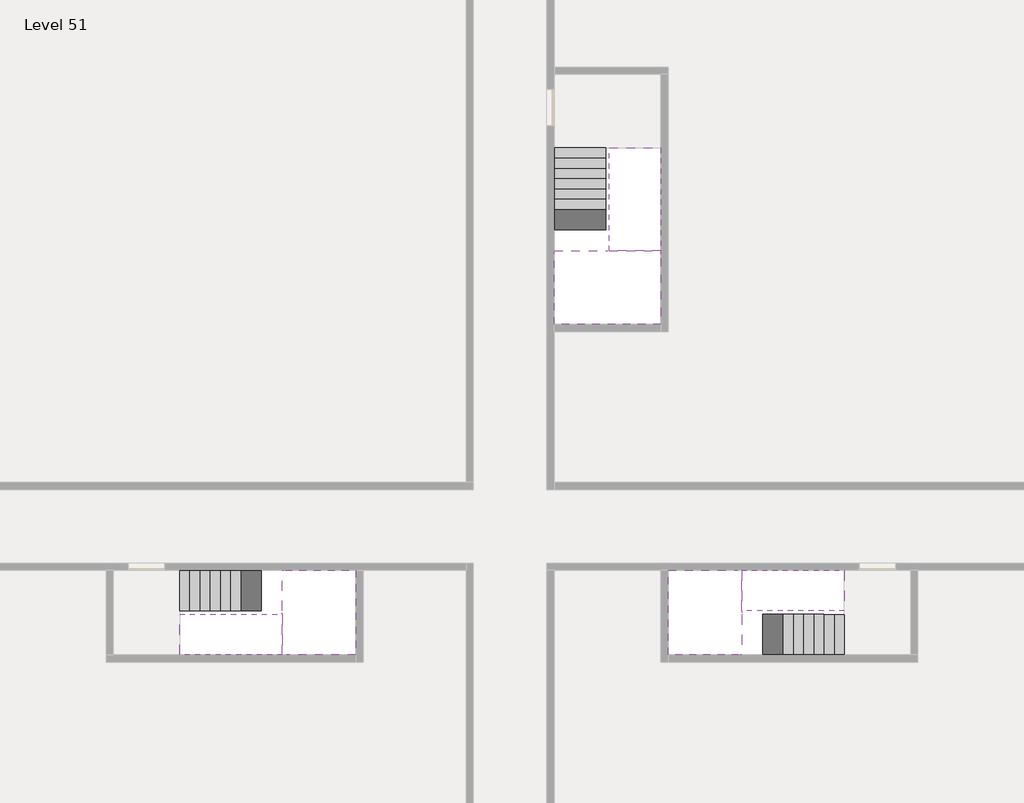
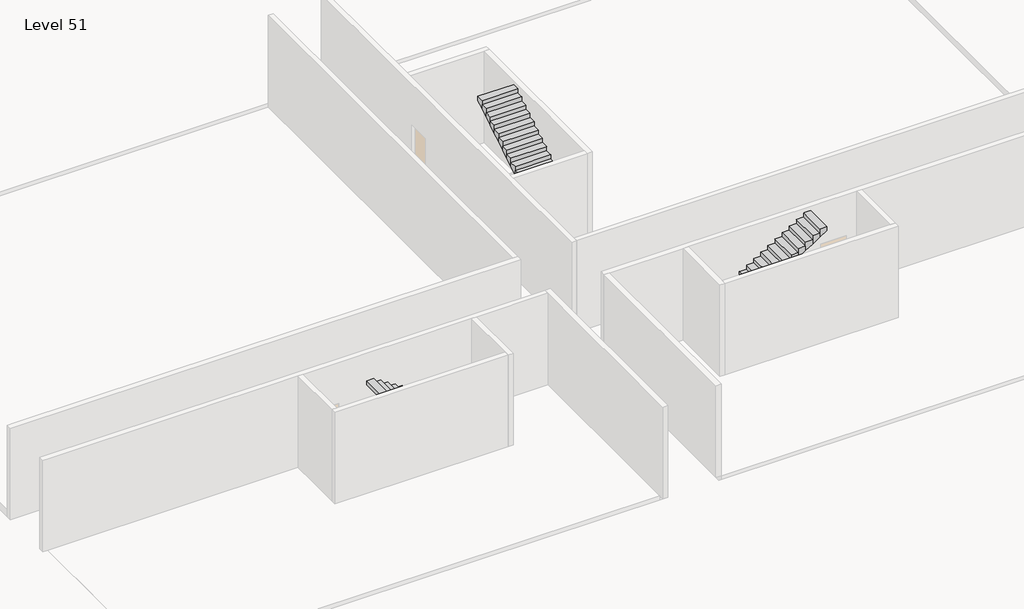
# One storey, part 2 of 2: 6 stair flights, 3 slabs.
"""IFC4 building model written with IfcOpenShell, lengths in millimetres."""

import ifcopenshell
import ifcopenshell.guid

model = None  # the IFC model being written
_history = None  # IfcOwnerHistory: only IFC2X3 demands one
_inside = {}  # id of a spatial element -> (the spatial element, [elements in it])
_under = {}  # id of a project, library or spatial element -> (it, [spatial elements below it])
_declared = {}  # id of a project -> (the project, [libraries it declares])
_typed = {}  # id of a type object -> (the type object, [elements of that type])
_made_of = {}  # id of a material, layer set ... -> (it, [elements and type objects made of it])


def new_model(schema):
    """Start an empty IFC model of exactly this schema.

    Asked for "IFC4X3", IfcOpenShell would pick the latest addendum, in which some entities
    have other attributes; the version numbers below select the first issue.
    IFC2X3 requires an IfcOwnerHistory on every rooted entity: one is made here for all.
    """
    global model, _history
    if schema == "IFC4X3":
        model = ifcopenshell.file(schema_version=(4, 3, 0, 0))
    else:
        model = ifcopenshell.file(schema=schema)
    _inside.clear()
    _under.clear()
    _declared.clear()
    _typed.clear()
    _made_of.clear()
    _history = None
    if model.schema == "IFC2X3":
        org = make("IfcOrganization", Name="unknown")
        user = make(
            "IfcPersonAndOrganization",
            ThePerson=make("IfcPerson", FamilyName="unknown"),
            TheOrganization=org,
        )
        app = make(
            "IfcApplication",
            ApplicationDeveloper=org,
            Version="unknown",
            ApplicationFullName="unknown",
            ApplicationIdentifier="unknown",
        )
        _history = make(
            "IfcOwnerHistory",
            OwningUser=user,
            OwningApplication=app,
            ChangeAction="ADDED",
            CreationDate=0,
        )
    return model


def make(cls, **values):
    """One entity of the class cls with the attributes given. An attribute that is None is left unset."""
    return model.create_entity(
        cls, **{name: value for name, value in values.items() if value is not None}
    )


def rooted(cls, **values):
    """An entity with a GlobalId (a new one), such as an element, a storey or a relation."""
    return make(cls, GlobalId=ifcopenshell.guid.new(), OwnerHistory=_history, **values)


def si_unit(unit_type, name, prefix=None):
    """IfcSIUnit, for example si_unit("LENGTHUNIT", "METRE", prefix="MILLI")."""
    return make("IfcSIUnit", UnitType=unit_type, Prefix=prefix, Name=name)


def assignment(units):
    """IfcUnitAssignment: the units of a project."""
    return None if units is None else make("IfcUnitAssignment", Units=units)


def point(xyz):
    """IfcCartesianPoint."""
    return None if xyz is None else make("IfcCartesianPoint", Coordinates=xyz)


def direction(xyz):
    """IfcDirection."""
    return None if xyz is None else make("IfcDirection", DirectionRatios=xyz)


def frame(location, z_axis=None, x_axis=None):
    """IfcAxis2Placement3D, a coordinate frame: its origin and axes. An axis left out is left unset."""
    return make(
        "IfcAxis2Placement3D",
        Location=point(location),
        Axis=direction(z_axis),
        RefDirection=direction(x_axis),
    )


def origin():
    """The frame at (0, 0, 0) with its axes left unset."""
    return frame((0.0, 0.0, 0.0))


def place(relative_to, where):
    """IfcLocalPlacement: puts the frame where relative to a parent placement (None: the world)."""
    return make(
        "IfcLocalPlacement", PlacementRelTo=relative_to, RelativePlacement=where
    )


def context(
    kind, dimensions, precision=None, world=None, true_north=None, identifier=None
):
    """IfcGeometricRepresentationContext, for example the 3D "Model" context."""
    return make(
        "IfcGeometricRepresentationContext",
        ContextIdentifier=identifier,
        ContextType=kind,
        CoordinateSpaceDimension=dimensions,
        Precision=precision,
        WorldCoordinateSystem=world,
        TrueNorth=true_north,
    )


def project(units=None, contexts=None):
    """IfcProject with its units and contexts."""
    return rooted(
        "IfcProject",
        Name="project",
        RepresentationContexts=contexts,
        UnitsInContext=assignment(units),
    )


def spatial(cls, under=None, at=None, **own):
    """A site, building, storey or space (cls), placed at a placement, below another one or the project."""
    s = rooted(cls, ObjectPlacement=at, **own)
    if under is not None:
        _under.setdefault(under.id(), (under, []))[1].append(s)
    return s


def faces_of(points, faces, orient=None, outer=None):
    """IfcFace entities. A face is a list of loops; a loop is a list of indices into points, from 0.

    orient and outer hold one flag for each loop. By default every Orientation is true, the
    first loop of a face is its IfcFaceOuterBound and the others are IfcFaceBound.
    """
    made = []
    for i, loops in enumerate(faces):
        bounds = []
        for j, loop in enumerate(loops):
            is_outer = j == 0 if outer is None else outer[i][j]
            bounds.append(
                make(
                    "IfcFaceOuterBound" if is_outer else "IfcFaceBound",
                    Bound=make("IfcPolyLoop", Polygon=[points[k] for k in loop]),
                    Orientation=True if orient is None else orient[i][j],
                )
            )
        made.append(make("IfcFace", Bounds=bounds))
    return made


def faceted_brep(points, faces, orient=None, outer=None, voids=None):
    """IfcFacetedBrep: a solid bounded by flat faces; with voids (closed shells), ...WithVoids."""
    shared = [point(p) for p in points]
    hull = make("IfcClosedShell", CfsFaces=faces_of(shared, faces, orient, outer))
    if voids is None:
        return make("IfcFacetedBrep", Outer=hull)
    return make(
        "IfcFacetedBrepWithVoids",
        Outer=hull,
        Voids=[
            make(cls, CfsFaces=faces_of(shared, fs, o, b)) for cls, fs, o, b in voids
        ],
    )


def shape(context_of_items, identifier, shape_type, items):
    """IfcShapeRepresentation: the items that make up one representation, for example the "Body"."""
    return make(
        "IfcShapeRepresentation",
        ContextOfItems=context_of_items,
        RepresentationIdentifier=identifier,
        RepresentationType=shape_type,
        Items=items,
    )


def made_of(thing, what):
    """Note that an element or type object is made of a material, layer set ...; save() writes the relation."""
    if what is not None:
        _made_of.setdefault(what.id(), (what, []))[1].append(thing)
    return thing


def element(
    cls,
    number,
    at=None,
    inside=None,
    cuts=None,
    type_object=None,
    material=None,
    context=None,
    identifier="Body",
    shape_type=None,
    held_by="IfcProductDefinitionShape",
    body=None,
    shapes=None,
    **own,
):
    """One element of the class cls, such as IfcWall. Its Tag is "e" and its number.

    at: its placement. inside: the storey or other place that contains it. cuts: it is an
    opening in that element (IfcRelVoidsElement). A single representation is given by context,
    identifier, shape_type and body (its items); several are given by shapes. held_by: the class
    of the entity that holds the representations. save() writes the other relations.
    """
    e = rooted(cls, Tag="e%d" % number, ObjectPlacement=at, **own)
    if body is not None:
        shapes = [shape(context, identifier, shape_type, body)]
    if shapes is not None:
        e.Representation = make(held_by, Representations=shapes)
    if inside is not None:
        _inside.setdefault(inside.id(), (inside, []))[1].append(e)
    if cuts is not None:
        rooted(
            "IfcRelVoidsElement", RelatingBuildingElement=cuts, RelatedOpeningElement=e
        )
    if type_object is not None:
        _typed.setdefault(type_object.id(), (type_object, []))[1].append(e)
    return made_of(e, material)


def aggregate(whole, parts):
    """IfcRelAggregates: a whole, such as a stair, and the parts it consists of."""
    return rooted("IfcRelAggregates", RelatingObject=whole, RelatedObjects=parts)


def save(model, path):
    """Write the relations noted so far, then the file.

    IfcRelAggregates (storeys below a building ...), IfcRelContainedInSpatialStructure (elements
    in a storey), IfcRelDefinesByType, IfcRelAssociatesMaterial and IfcRelDeclares: one each for
    every whole, place, type object, material and project.
    """
    for whole, parts in _under.values():
        aggregate(whole, parts)
    for where, things in _inside.values():
        rooted(
            "IfcRelContainedInSpatialStructure",
            RelatedElements=things,
            RelatingStructure=where,
        )
    for kind, things in _typed.values():
        rooted("IfcRelDefinesByType", RelatedObjects=things, RelatingType=kind)
    for what, things in _made_of.values():
        rooted("IfcRelAssociatesMaterial", RelatedObjects=things, RelatingMaterial=what)
    for by, libraries in _declared.values():
        rooted("IfcRelDeclares", RelatingContext=by, RelatedDefinitions=libraries)
    model.write(path)


model = new_model("IFC4")

# Units and contexts
model_context = context("Model", 3, world=origin())
ifc_project = project(units=[si_unit("LENGTHUNIT", "METRE", prefix="MILLI")], contexts=[model_context])

# Site, building, storey
site = spatial("IfcSite", under=ifc_project)
building = spatial("IfcBuilding", under=site)
storey = spatial("IfcBuildingStorey", under=building, Name="Level 51", Elevation=190000.0)

# Slabs
placement = place(None, origin())
element("IfcSlab", 1, at=placement, inside=storey, context=model_context, shape_type="Brep", body=[
    faceted_brep([(26790.1058784, -34218.09644, 191900.0), (25390.1058784, -34218.09644, 191900.0), (25390.1058784, -34297.4828763, 191900.0), (25390.1058784, -36218.09644, 191900.0), (28290.1058784, -36218.09644, 191900.0), (28290.1058784, -34418.7100038, 191900.0), (28290.1058784, -34218.09644, 191900.0), (26890.1058784, -34218.09644, 191900.0), (26790.1058784, -34218.09644, 191600.0), (26790.1058784, -34218.09644, 191551.0278478), (25390.1058784, -34218.09644, 191551.0278478), (25390.1058784, -34218.09644, 191727.2727273), (25390.1058784, -34297.4828763, 191600.0), (25390.1058784, -36218.09644, 191600.0), (28290.1058784, -36218.09644, 191600.0), (28290.1058784, -34418.7100038, 191600.0), (28290.1058784, -34218.09644, 191723.7551205), (26890.1058784, -34218.09644, 191723.7551205), (26890.1058784, -34218.09644, 191600.0), (26890.1058784, -34418.7100038, 191600.0), (26790.1058784, -34297.4828763, 191600.0)], [[[0, 1, 2, 3, 4, 5, 6, 7]], [[1, 0, 8, 9, 10, 11]], [[1, 11, 10, 12, 13, 3, 2]], [[4, 3, 13, 14]], [[4, 14, 15, 16, 6, 5]], [[7, 6, 16, 17]], [[0, 7, 17, 18, 8]], [[18, 19, 15, 14, 13, 12, 20, 8]], [[19, 18, 17]], [[20, 12, 10, 9]], [[8, 20, 9]], [[15, 19, 17, 16]]]),
])
element("IfcSlab", 2, at=placement, inside=storey, context=model_context, shape_type="Brep", body=[
    faceted_brep([(30490.1058784, -45218.09644, 191900.0), (30490.1058784, -44118.09644, 191900.0), (30490.1058784, -44018.09644, 191900.0), (30490.1058784, -42918.09644, 191900.0), (30289.4923146, -42918.09644, 191900.0), (28490.1058784, -42918.09644, 191900.0), (28490.1058784, -45218.09644, 191900.0), (30410.7194421, -45218.09644, 191900.0), (30490.1058784, -45218.09644, 191727.2727273), (30490.1058784, -45218.09644, 191551.0278478), (30490.1058784, -44118.09644, 191551.0278478), (30490.1058784, -44118.09644, 191600.0), (30490.1058784, -44018.09644, 191600.0), (30490.1058784, -44018.09644, 191723.7551205), (30490.1058784, -42918.09644, 191723.7551205), (30289.4923146, -42918.09644, 191600.0), (28490.1058784, -42918.09644, 191600.0), (28490.1058784, -45218.09644, 191600.0), (30410.7194421, -45218.09644, 191600.0), (30289.4923146, -44018.09644, 191600.0), (30410.7194421, -44118.09644, 191600.0)], [[[0, 1, 2, 3, 4, 5, 6, 7]], [[1, 0, 8, 9, 10, 11]], [[2, 1, 11, 12, 13]], [[3, 2, 13, 14]], [[3, 14, 15, 16, 5, 4]], [[6, 5, 16, 17]], [[9, 8, 0, 7, 6, 17, 18]], [[19, 12, 11, 20, 18, 17, 16, 15]], [[12, 19, 13]], [[18, 20, 10, 9]], [[20, 11, 10]], [[19, 15, 14, 13]]]),
])
element("IfcSlab", 3, at=placement, inside=storey, context=model_context, shape_type="Brep", body=[
    faceted_brep([(17990.1058784, -42918.09644, 191900.0), (17990.1058784, -44018.09644, 191900.0), (17990.1058784, -44118.09644, 191900.0), (17990.1058784, -45218.09644, 191900.0), (18190.7194421, -45218.09644, 191900.0), (19990.1058784, -45218.09644, 191900.0), (19990.1058784, -42918.09644, 191900.0), (18069.4923146, -42918.09644, 191900.0), (17990.1058784, -42918.09644, 191727.2727273), (17990.1058784, -42918.09644, 191551.0278478), (17990.1058784, -44018.09644, 191551.0278478), (17990.1058784, -44018.09644, 191600.0), (17990.1058784, -44118.09644, 191600.0), (17990.1058784, -44118.09644, 191723.7551205), (17990.1058784, -45218.09644, 191723.7551205), (18190.7194421, -45218.09644, 191600.0), (19990.1058784, -45218.09644, 191600.0), (19990.1058784, -42918.09644, 191600.0), (18069.4923146, -42918.09644, 191600.0), (18190.7194421, -44118.09644, 191600.0), (18069.4923146, -44018.09644, 191600.0)], [[[0, 1, 2, 3, 4, 5, 6, 7]], [[1, 0, 8, 9, 10, 11]], [[2, 1, 11, 12, 13]], [[3, 2, 13, 14]], [[3, 14, 15, 16, 5, 4]], [[6, 5, 16, 17]], [[9, 8, 0, 7, 6, 17, 18]], [[19, 12, 11, 20, 18, 17, 16, 15]], [[12, 19, 13]], [[18, 20, 10, 9]], [[20, 11, 10]], [[19, 15, 14, 13]]]),
])

# Stair flights
element("IfcStairFlight", 4, at=placement, inside=storey, context=model_context, shape_type="Brep", body=[
    faceted_brep([(26790.1058784, -31698.09644, 190172.7272727), (26790.1058784, -31418.09644, 190172.7272727), (25390.1058784, -31418.09644, 190172.7272727), (25390.1058784, -31698.09644, 190172.7272727), (26790.1058784, -31698.09644, 190000.0), (26790.1058784, -31418.09644, 190000.0), (25390.1058784, -31418.09644, 190000.0), (25390.1058784, -31698.09644, 190000.0), (26790.1058784, -31978.09644, 190345.4545455), (26790.1058784, -31698.09644, 190345.4545455), (25390.1058784, -31698.09644, 190345.4545455), (25390.1058784, -31978.09644, 190345.4545455), (26790.1058784, -31978.09644, 190169.209666), (26790.1058784, -31703.7986657, 190000.0), (25390.1058784, -31703.7986657, 190000.0), (25390.1058784, -31978.09644, 190169.209666), (26790.1058784, -32258.09644, 190518.1818182), (26790.1058784, -31978.09644, 190518.1818182), (25390.1058784, -31978.09644, 190518.1818182), (25390.1058784, -32258.09644, 190518.1818182), (26790.1058784, -32258.09644, 190341.9369387), (25390.1058784, -32258.09644, 190341.9369387), (26790.1058784, -32538.09644, 190690.9090909), (26790.1058784, -32258.09644, 190690.9090909), (25390.1058784, -32258.09644, 190690.9090909), (25390.1058784, -32538.09644, 190690.9090909), (26790.1058784, -32538.09644, 190514.6642114), (25390.1058784, -32538.09644, 190514.6642114), (26790.1058784, -32818.09644, 190863.6363636), (26790.1058784, -32538.09644, 190863.6363636), (25390.1058784, -32538.09644, 190863.6363636), (25390.1058784, -32818.09644, 190863.6363636), (26790.1058784, -32818.09644, 190687.3914841), (25390.1058784, -32818.09644, 190687.3914841), (26790.1058784, -33098.09644, 191036.3636364), (26790.1058784, -32818.09644, 191036.3636364), (25390.1058784, -32818.09644, 191036.3636364), (25390.1058784, -33098.09644, 191036.3636364), (26790.1058784, -33098.09644, 190860.1187569), (25390.1058784, -33098.09644, 190860.1187569), (26790.1058784, -33378.09644, 191209.0909091), (26790.1058784, -33098.09644, 191209.0909091), (25390.1058784, -33098.09644, 191209.0909091), (25390.1058784, -33378.09644, 191209.0909091), (26790.1058784, -33378.09644, 191032.8460296), (25390.1058784, -33378.09644, 191032.8460296), (26790.1058784, -33658.09644, 191381.8181818), (26790.1058784, -33378.09644, 191381.8181818), (25390.1058784, -33378.09644, 191381.8181818), (25390.1058784, -33658.09644, 191381.8181818), (26790.1058784, -33658.09644, 191205.5733023), (25390.1058784, -33658.09644, 191205.5733023), (26790.1058784, -33938.09644, 191554.5454545), (26790.1058784, -33658.09644, 191554.5454545), (25390.1058784, -33658.09644, 191554.5454545), (25390.1058784, -33938.09644, 191554.5454545), (26790.1058784, -33938.09644, 191378.3005751), (25390.1058784, -33938.09644, 191378.3005751), (26790.1058784, -34218.09644, 191727.2727273), (26790.1058784, -33938.09644, 191727.2727273), (25390.1058784, -33938.09644, 191727.2727273), (25390.1058784, -34218.09644, 191727.2727273), (26790.1058784, -34218.09644, 191600.0), (26790.1058784, -34218.09644, 191551.0278478), (25390.1058784, -34218.09644, 191551.0278478)], [[[0, 1, 2, 3]], [[1, 0, 4, 5]], [[2, 1, 5, 6]], [[3, 2, 6, 7]], [[8, 9, 10, 11]], [[4, 0, 9, 8, 12, 13]], [[0, 3, 10, 9]], [[3, 7, 14, 15, 11, 10]], [[16, 17, 18, 19]], [[17, 16, 20, 12, 8]], [[8, 11, 18, 17]], [[19, 18, 11, 15, 21]], [[22, 23, 24, 25]], [[23, 22, 26, 20, 16]], [[16, 19, 24, 23]], [[25, 24, 19, 21, 27]], [[28, 29, 30, 31]], [[29, 28, 32, 26, 22]], [[22, 25, 30, 29]], [[31, 30, 25, 27, 33]], [[34, 35, 36, 37]], [[35, 34, 38, 32, 28]], [[28, 31, 36, 35]], [[37, 36, 31, 33, 39]], [[40, 41, 42, 43]], [[41, 40, 44, 38, 34]], [[34, 37, 42, 41]], [[43, 42, 37, 39, 45]], [[46, 47, 48, 49]], [[47, 46, 50, 44, 40]], [[40, 43, 48, 47]], [[49, 48, 43, 45, 51]], [[52, 53, 54, 55]], [[53, 52, 56, 50, 46]], [[46, 49, 54, 53]], [[55, 54, 49, 51, 57]], [[58, 59, 60, 61]], [[59, 58, 62, 63, 56, 52]], [[52, 55, 60, 59]], [[61, 60, 55, 57, 64]], [[58, 61, 64, 63, 62]], [[5, 4, 13, 14, 7, 6]], [[14, 13, 12, 20, 26, 32, 38, 44, 50, 56, 63, 64, 57, 51, 45, 39, 33, 27, 21, 15]]]),
])
element("IfcStairFlight", 5, at=placement, inside=storey, context=model_context, shape_type="Brep", body=[
    faceted_brep([(26890.1058784, -33938.09644, 192072.7272727), (26890.1058784, -34218.09644, 192072.7272727), (28290.1058784, -34218.09644, 192072.7272727), (28290.1058784, -33938.09644, 192072.7272727), (26890.1058784, -33938.09644, 191896.4823932), (26890.1058784, -34218.09644, 191723.7551205), (28290.1058784, -34218.09644, 191723.7551205), (28290.1058784, -34218.09644, 191900.0), (28290.1058784, -33938.09644, 191896.4823932), (26890.1058784, -33658.09644, 192245.4545455), (26890.1058784, -33938.09644, 192245.4545455), (28290.1058784, -33938.09644, 192245.4545455), (28290.1058784, -33658.09644, 192245.4545455), (26890.1058784, -33658.09644, 192069.209666), (28290.1058784, -33658.09644, 192069.209666), (26890.1058784, -33378.09644, 192418.1818182), (26890.1058784, -33658.09644, 192418.1818182), (28290.1058784, -33658.09644, 192418.1818182), (28290.1058784, -33378.09644, 192418.1818182), (26890.1058784, -33378.09644, 192241.9369387), (28290.1058784, -33378.09644, 192241.9369387), (26890.1058784, -33098.09644, 192590.9090909), (26890.1058784, -33378.09644, 192590.9090909), (28290.1058784, -33378.09644, 192590.9090909), (28290.1058784, -33098.09644, 192590.9090909), (26890.1058784, -33098.09644, 192414.6642114), (28290.1058784, -33098.09644, 192414.6642114), (26890.1058784, -32818.09644, 192763.6363636), (26890.1058784, -33098.09644, 192763.6363636), (28290.1058784, -33098.09644, 192763.6363636), (28290.1058784, -32818.09644, 192763.6363636), (26890.1058784, -32818.09644, 192587.3914841), (28290.1058784, -32818.09644, 192587.3914841), (26890.1058784, -32538.09644, 192936.3636364), (26890.1058784, -32818.09644, 192936.3636364), (28290.1058784, -32818.09644, 192936.3636364), (28290.1058784, -32538.09644, 192936.3636364), (26890.1058784, -32538.09644, 192760.1187569), (28290.1058784, -32538.09644, 192760.1187569), (26890.1058784, -32258.09644, 193109.0909091), (26890.1058784, -32538.09644, 193109.0909091), (28290.1058784, -32538.09644, 193109.0909091), (28290.1058784, -32258.09644, 193109.0909091), (26890.1058784, -32258.09644, 192932.8460296), (28290.1058784, -32258.09644, 192932.8460296), (26890.1058784, -31978.09644, 193281.8181818), (26890.1058784, -32258.09644, 193281.8181818), (28290.1058784, -32258.09644, 193281.8181818), (28290.1058784, -31978.09644, 193281.8181818), (26890.1058784, -31978.09644, 193105.5733023), (28290.1058784, -31978.09644, 193105.5733023), (26890.1058784, -31698.09644, 193454.5454545), (26890.1058784, -31978.09644, 193454.5454545), (28290.1058784, -31978.09644, 193454.5454545), (28290.1058784, -31698.09644, 193454.5454545), (26890.1058784, -31698.09644, 193278.3005751), (28290.1058784, -31698.09644, 193278.3005751), (26890.1058784, -31418.09644, 193627.2727273), (26890.1058784, -31698.09644, 193627.2727273), (28290.1058784, -31698.09644, 193627.2727273), (28290.1058784, -31418.09644, 193627.2727273), (26890.1058784, -31418.09644, 193451.0278478), (28290.1058784, -31418.09644, 193451.0278478)], [[[0, 1, 2, 3]], [[1, 0, 4, 5]], [[2, 1, 5, 6, 7]], [[3, 2, 7, 6, 8]], [[9, 10, 11, 12]], [[10, 9, 13, 4, 0]], [[11, 10, 0, 3]], [[12, 11, 3, 8, 14]], [[15, 16, 17, 18]], [[16, 15, 19, 13, 9]], [[17, 16, 9, 12]], [[18, 17, 12, 14, 20]], [[21, 22, 23, 24]], [[22, 21, 25, 19, 15]], [[23, 22, 15, 18]], [[24, 23, 18, 20, 26]], [[27, 28, 29, 30]], [[28, 27, 31, 25, 21]], [[29, 28, 21, 24]], [[30, 29, 24, 26, 32]], [[33, 34, 35, 36]], [[34, 33, 37, 31, 27]], [[35, 34, 27, 30]], [[36, 35, 30, 32, 38]], [[39, 40, 41, 42]], [[40, 39, 43, 37, 33]], [[41, 40, 33, 36]], [[42, 41, 36, 38, 44]], [[45, 46, 47, 48]], [[46, 45, 49, 43, 39]], [[47, 46, 39, 42]], [[48, 47, 42, 44, 50]], [[51, 52, 53, 54]], [[52, 51, 55, 49, 45]], [[53, 52, 45, 48]], [[54, 53, 48, 50, 56]], [[57, 58, 59, 60]], [[58, 57, 61, 55, 51]], [[59, 58, 51, 54]], [[60, 59, 54, 56, 62]], [[57, 60, 62, 61]], [[5, 4, 13, 19, 25, 31, 37, 43, 49, 55, 61, 62, 56, 50, 44, 38, 32, 26, 20, 14, 8, 6]]]),
])
element("IfcStairFlight", 6, at=placement, inside=storey, context=model_context, shape_type="Brep", body=[
    faceted_brep([(33010.1058784, -45218.09644, 190172.7272727), (33290.1058784, -45218.09644, 190172.7272727), (33290.1058784, -44118.09644, 190172.7272727), (33010.1058784, -44118.09644, 190172.7272727), (33010.1058784, -45218.09644, 190000.0), (33290.1058784, -45218.09644, 190000.0), (33290.1058784, -44118.09644, 190000.0), (33010.1058784, -44118.09644, 190000.0), (32730.1058784, -45218.09644, 190345.4545455), (33010.1058784, -45218.09644, 190345.4545455), (33010.1058784, -44118.09644, 190345.4545455), (32730.1058784, -44118.09644, 190345.4545455), (32730.1058784, -45218.09644, 190169.209666), (33004.4036527, -45218.09644, 190000.0), (33004.4036527, -44118.09644, 190000.0), (32730.1058784, -44118.09644, 190169.209666), (32450.1058784, -45218.09644, 190518.1818182), (32730.1058784, -45218.09644, 190518.1818182), (32730.1058784, -44118.09644, 190518.1818182), (32450.1058784, -44118.09644, 190518.1818182), (32450.1058784, -45218.09644, 190341.9369387), (32450.1058784, -44118.09644, 190341.9369387), (32170.1058784, -45218.09644, 190690.9090909), (32450.1058784, -45218.09644, 190690.9090909), (32450.1058784, -44118.09644, 190690.9090909), (32170.1058784, -44118.09644, 190690.9090909), (32170.1058784, -45218.09644, 190514.6642114), (32170.1058784, -44118.09644, 190514.6642114), (31890.1058784, -45218.09644, 190863.6363636), (32170.1058784, -45218.09644, 190863.6363636), (32170.1058784, -44118.09644, 190863.6363636), (31890.1058784, -44118.09644, 190863.6363636), (31890.1058784, -45218.09644, 190687.3914841), (31890.1058784, -44118.09644, 190687.3914841), (31610.1058784, -45218.09644, 191036.3636364), (31890.1058784, -45218.09644, 191036.3636364), (31890.1058784, -44118.09644, 191036.3636364), (31610.1058784, -44118.09644, 191036.3636364), (31610.1058784, -45218.09644, 190860.1187569), (31610.1058784, -44118.09644, 190860.1187569), (31330.1058784, -45218.09644, 191209.0909091), (31610.1058784, -45218.09644, 191209.0909091), (31610.1058784, -44118.09644, 191209.0909091), (31330.1058784, -44118.09644, 191209.0909091), (31330.1058784, -45218.09644, 191032.8460296), (31330.1058784, -44118.09644, 191032.8460296), (31050.1058784, -45218.09644, 191381.8181818), (31330.1058784, -45218.09644, 191381.8181818), (31330.1058784, -44118.09644, 191381.8181818), (31050.1058784, -44118.09644, 191381.8181818), (31050.1058784, -45218.09644, 191205.5733023), (31050.1058784, -44118.09644, 191205.5733023), (30770.1058784, -45218.09644, 191554.5454545), (31050.1058784, -45218.09644, 191554.5454545), (31050.1058784, -44118.09644, 191554.5454545), (30770.1058784, -44118.09644, 191554.5454545), (30770.1058784, -45218.09644, 191378.3005751), (30770.1058784, -44118.09644, 191378.3005751), (30490.1058784, -45218.09644, 191727.2727273), (30770.1058784, -45218.09644, 191727.2727273), (30770.1058784, -44118.09644, 191727.2727273), (30490.1058784, -44118.09644, 191727.2727273), (30490.1058784, -45218.09644, 191551.0278478), (30490.1058784, -44118.09644, 191551.0278478), (30490.1058784, -44118.09644, 191600.0)], [[[0, 1, 2, 3]], [[1, 0, 4, 5]], [[2, 1, 5, 6]], [[3, 2, 6, 7]], [[8, 9, 10, 11]], [[4, 0, 9, 8, 12, 13]], [[0, 3, 10, 9]], [[3, 7, 14, 15, 11, 10]], [[16, 17, 18, 19]], [[17, 16, 20, 12, 8]], [[8, 11, 18, 17]], [[19, 18, 11, 15, 21]], [[22, 23, 24, 25]], [[23, 22, 26, 20, 16]], [[16, 19, 24, 23]], [[25, 24, 19, 21, 27]], [[28, 29, 30, 31]], [[29, 28, 32, 26, 22]], [[22, 25, 30, 29]], [[31, 30, 25, 27, 33]], [[34, 35, 36, 37]], [[35, 34, 38, 32, 28]], [[28, 31, 36, 35]], [[37, 36, 31, 33, 39]], [[40, 41, 42, 43]], [[41, 40, 44, 38, 34]], [[34, 37, 42, 41]], [[43, 42, 37, 39, 45]], [[46, 47, 48, 49]], [[47, 46, 50, 44, 40]], [[40, 43, 48, 47]], [[49, 48, 43, 45, 51]], [[52, 53, 54, 55]], [[53, 52, 56, 50, 46]], [[46, 49, 54, 53]], [[55, 54, 49, 51, 57]], [[58, 59, 60, 61]], [[59, 58, 62, 56, 52]], [[52, 55, 60, 59]], [[61, 60, 55, 57, 63, 64]], [[58, 61, 64, 63, 62]], [[5, 4, 13, 14, 7, 6]], [[14, 13, 12, 20, 26, 32, 38, 44, 50, 56, 62, 63, 57, 51, 45, 39, 33, 27, 21, 15]]]),
])
element("IfcStairFlight", 7, at=placement, inside=storey, context=model_context, shape_type="Brep", body=[
    faceted_brep([(30770.1058784, -42918.09644, 192072.7272727), (30490.1058784, -42918.09644, 192072.7272727), (30490.1058784, -44018.09644, 192072.7272727), (30770.1058784, -44018.09644, 192072.7272727), (30770.1058784, -42918.09644, 191896.4823932), (30490.1058784, -42918.09644, 191723.7551205), (30490.1058784, -42918.09644, 191900.0), (30490.1058784, -44018.09644, 191723.7551205), (30770.1058784, -44018.09644, 191896.4823932), (31050.1058784, -42918.09644, 192245.4545455), (30770.1058784, -42918.09644, 192245.4545455), (30770.1058784, -44018.09644, 192245.4545455), (31050.1058784, -44018.09644, 192245.4545455), (31050.1058784, -42918.09644, 192069.209666), (31050.1058784, -44018.09644, 192069.209666), (31330.1058784, -42918.09644, 192418.1818182), (31050.1058784, -42918.09644, 192418.1818182), (31050.1058784, -44018.09644, 192418.1818182), (31330.1058784, -44018.09644, 192418.1818182), (31330.1058784, -42918.09644, 192241.9369387), (31330.1058784, -44018.09644, 192241.9369387), (31610.1058784, -42918.09644, 192590.9090909), (31330.1058784, -42918.09644, 192590.9090909), (31330.1058784, -44018.09644, 192590.9090909), (31610.1058784, -44018.09644, 192590.9090909), (31610.1058784, -42918.09644, 192414.6642114), (31610.1058784, -44018.09644, 192414.6642114), (31890.1058784, -42918.09644, 192763.6363636), (31610.1058784, -42918.09644, 192763.6363636), (31610.1058784, -44018.09644, 192763.6363636), (31890.1058784, -44018.09644, 192763.6363636), (31890.1058784, -42918.09644, 192587.3914841), (31890.1058784, -44018.09644, 192587.3914841), (32170.1058784, -42918.09644, 192936.3636364), (31890.1058784, -42918.09644, 192936.3636364), (31890.1058784, -44018.09644, 192936.3636364), (32170.1058784, -44018.09644, 192936.3636364), (32170.1058784, -42918.09644, 192760.1187569), (32170.1058784, -44018.09644, 192760.1187569), (32450.1058784, -42918.09644, 193109.0909091), (32170.1058784, -42918.09644, 193109.0909091), (32170.1058784, -44018.09644, 193109.0909091), (32450.1058784, -44018.09644, 193109.0909091), (32450.1058784, -42918.09644, 192932.8460296), (32450.1058784, -44018.09644, 192932.8460296), (32730.1058784, -42918.09644, 193281.8181818), (32450.1058784, -42918.09644, 193281.8181818), (32450.1058784, -44018.09644, 193281.8181818), (32730.1058784, -44018.09644, 193281.8181818), (32730.1058784, -42918.09644, 193105.5733023), (32730.1058784, -44018.09644, 193105.5733023), (33010.1058784, -42918.09644, 193454.5454545), (32730.1058784, -42918.09644, 193454.5454545), (32730.1058784, -44018.09644, 193454.5454545), (33010.1058784, -44018.09644, 193454.5454545), (33010.1058784, -42918.09644, 193278.3005751), (33010.1058784, -44018.09644, 193278.3005751), (33290.1058784, -42918.09644, 193627.2727273), (33010.1058784, -42918.09644, 193627.2727273), (33010.1058784, -44018.09644, 193627.2727273), (33290.1058784, -44018.09644, 193627.2727273), (33290.1058784, -42918.09644, 193451.0278478), (33290.1058784, -44018.09644, 193451.0278478)], [[[0, 1, 2, 3]], [[1, 0, 4, 5, 6]], [[2, 1, 6, 5, 7]], [[3, 2, 7, 8]], [[9, 10, 11, 12]], [[10, 9, 13, 4, 0]], [[11, 10, 0, 3]], [[12, 11, 3, 8, 14]], [[15, 16, 17, 18]], [[16, 15, 19, 13, 9]], [[17, 16, 9, 12]], [[18, 17, 12, 14, 20]], [[21, 22, 23, 24]], [[22, 21, 25, 19, 15]], [[23, 22, 15, 18]], [[24, 23, 18, 20, 26]], [[27, 28, 29, 30]], [[28, 27, 31, 25, 21]], [[29, 28, 21, 24]], [[30, 29, 24, 26, 32]], [[33, 34, 35, 36]], [[34, 33, 37, 31, 27]], [[35, 34, 27, 30]], [[36, 35, 30, 32, 38]], [[39, 40, 41, 42]], [[40, 39, 43, 37, 33]], [[41, 40, 33, 36]], [[42, 41, 36, 38, 44]], [[45, 46, 47, 48]], [[46, 45, 49, 43, 39]], [[47, 46, 39, 42]], [[48, 47, 42, 44, 50]], [[51, 52, 53, 54]], [[52, 51, 55, 49, 45]], [[53, 52, 45, 48]], [[54, 53, 48, 50, 56]], [[57, 58, 59, 60]], [[58, 57, 61, 55, 51]], [[59, 58, 51, 54]], [[60, 59, 54, 56, 62]], [[57, 60, 62, 61]], [[5, 4, 13, 19, 25, 31, 37, 43, 49, 55, 61, 62, 56, 50, 44, 38, 32, 26, 20, 14, 8, 7]]]),
])
element("IfcStairFlight", 8, at=placement, inside=storey, context=model_context, shape_type="Brep", body=[
    faceted_brep([(15470.1058784, -42918.09644, 190172.7272727), (15190.1058784, -42918.09644, 190172.7272727), (15190.1058784, -44018.09644, 190172.7272727), (15470.1058784, -44018.09644, 190172.7272727), (15470.1058784, -42918.09644, 190000.0), (15190.1058784, -42918.09644, 190000.0), (15190.1058784, -44018.09644, 190000.0), (15470.1058784, -44018.09644, 190000.0), (15750.1058784, -42918.09644, 190345.4545455), (15470.1058784, -42918.09644, 190345.4545455), (15470.1058784, -44018.09644, 190345.4545455), (15750.1058784, -44018.09644, 190345.4545455), (15750.1058784, -42918.09644, 190169.209666), (15475.8081041, -42918.09644, 190000.0), (15475.8081041, -44018.09644, 190000.0), (15750.1058784, -44018.09644, 190169.209666), (16030.1058784, -42918.09644, 190518.1818182), (15750.1058784, -42918.09644, 190518.1818182), (15750.1058784, -44018.09644, 190518.1818182), (16030.1058784, -44018.09644, 190518.1818182), (16030.1058784, -42918.09644, 190341.9369387), (16030.1058784, -44018.09644, 190341.9369387), (16310.1058784, -42918.09644, 190690.9090909), (16030.1058784, -42918.09644, 190690.9090909), (16030.1058784, -44018.09644, 190690.9090909), (16310.1058784, -44018.09644, 190690.9090909), (16310.1058784, -42918.09644, 190514.6642114), (16310.1058784, -44018.09644, 190514.6642114), (16590.1058784, -42918.09644, 190863.6363636), (16310.1058784, -42918.09644, 190863.6363636), (16310.1058784, -44018.09644, 190863.6363636), (16590.1058784, -44018.09644, 190863.6363636), (16590.1058784, -42918.09644, 190687.3914841), (16590.1058784, -44018.09644, 190687.3914841), (16870.1058784, -42918.09644, 191036.3636364), (16590.1058784, -42918.09644, 191036.3636364), (16590.1058784, -44018.09644, 191036.3636364), (16870.1058784, -44018.09644, 191036.3636364), (16870.1058784, -42918.09644, 190860.1187569), (16870.1058784, -44018.09644, 190860.1187569), (17150.1058784, -42918.09644, 191209.0909091), (16870.1058784, -42918.09644, 191209.0909091), (16870.1058784, -44018.09644, 191209.0909091), (17150.1058784, -44018.09644, 191209.0909091), (17150.1058784, -42918.09644, 191032.8460296), (17150.1058784, -44018.09644, 191032.8460296), (17430.1058784, -42918.09644, 191381.8181818), (17150.1058784, -42918.09644, 191381.8181818), (17150.1058784, -44018.09644, 191381.8181818), (17430.1058784, -44018.09644, 191381.8181818), (17430.1058784, -42918.09644, 191205.5733023), (17430.1058784, -44018.09644, 191205.5733023), (17710.1058784, -42918.09644, 191554.5454545), (17430.1058784, -42918.09644, 191554.5454545), (17430.1058784, -44018.09644, 191554.5454545), (17710.1058784, -44018.09644, 191554.5454545), (17710.1058784, -42918.09644, 191378.3005751), (17710.1058784, -44018.09644, 191378.3005751), (17990.1058784, -42918.09644, 191727.2727273), (17710.1058784, -42918.09644, 191727.2727273), (17710.1058784, -44018.09644, 191727.2727273), (17990.1058784, -44018.09644, 191727.2727273), (17990.1058784, -42918.09644, 191551.0278478), (17990.1058784, -44018.09644, 191551.0278478), (17990.1058784, -44018.09644, 191600.0)], [[[0, 1, 2, 3]], [[1, 0, 4, 5]], [[2, 1, 5, 6]], [[3, 2, 6, 7]], [[8, 9, 10, 11]], [[4, 0, 9, 8, 12, 13]], [[0, 3, 10, 9]], [[3, 7, 14, 15, 11, 10]], [[16, 17, 18, 19]], [[17, 16, 20, 12, 8]], [[8, 11, 18, 17]], [[19, 18, 11, 15, 21]], [[22, 23, 24, 25]], [[23, 22, 26, 20, 16]], [[16, 19, 24, 23]], [[25, 24, 19, 21, 27]], [[28, 29, 30, 31]], [[29, 28, 32, 26, 22]], [[22, 25, 30, 29]], [[31, 30, 25, 27, 33]], [[34, 35, 36, 37]], [[35, 34, 38, 32, 28]], [[28, 31, 36, 35]], [[37, 36, 31, 33, 39]], [[40, 41, 42, 43]], [[41, 40, 44, 38, 34]], [[34, 37, 42, 41]], [[43, 42, 37, 39, 45]], [[46, 47, 48, 49]], [[47, 46, 50, 44, 40]], [[40, 43, 48, 47]], [[49, 48, 43, 45, 51]], [[52, 53, 54, 55]], [[53, 52, 56, 50, 46]], [[46, 49, 54, 53]], [[55, 54, 49, 51, 57]], [[58, 59, 60, 61]], [[59, 58, 62, 56, 52]], [[52, 55, 60, 59]], [[61, 60, 55, 57, 63, 64]], [[58, 61, 64, 63, 62]], [[5, 4, 13, 14, 7, 6]], [[14, 13, 12, 20, 26, 32, 38, 44, 50, 56, 62, 63, 57, 51, 45, 39, 33, 27, 21, 15]]]),
])
element("IfcStairFlight", 9, at=placement, inside=storey, context=model_context, shape_type="Brep", body=[
    faceted_brep([(17710.1058784, -45218.09644, 192072.7272727), (17990.1058784, -45218.09644, 192072.7272727), (17990.1058784, -44118.09644, 192072.7272727), (17710.1058784, -44118.09644, 192072.7272727), (17710.1058784, -45218.09644, 191896.4823932), (17990.1058784, -45218.09644, 191723.7551205), (17990.1058784, -45218.09644, 191900.0), (17990.1058784, -44118.09644, 191723.7551205), (17710.1058784, -44118.09644, 191896.4823932), (17430.1058784, -45218.09644, 192245.4545455), (17710.1058784, -45218.09644, 192245.4545455), (17710.1058784, -44118.09644, 192245.4545455), (17430.1058784, -44118.09644, 192245.4545455), (17430.1058784, -45218.09644, 192069.209666), (17430.1058784, -44118.09644, 192069.209666), (17150.1058784, -45218.09644, 192418.1818182), (17430.1058784, -45218.09644, 192418.1818182), (17430.1058784, -44118.09644, 192418.1818182), (17150.1058784, -44118.09644, 192418.1818182), (17150.1058784, -45218.09644, 192241.9369387), (17150.1058784, -44118.09644, 192241.9369387), (16870.1058784, -45218.09644, 192590.9090909), (17150.1058784, -45218.09644, 192590.9090909), (17150.1058784, -44118.09644, 192590.9090909), (16870.1058784, -44118.09644, 192590.9090909), (16870.1058784, -45218.09644, 192414.6642114), (16870.1058784, -44118.09644, 192414.6642114), (16590.1058784, -45218.09644, 192763.6363636), (16870.1058784, -45218.09644, 192763.6363636), (16870.1058784, -44118.09644, 192763.6363636), (16590.1058784, -44118.09644, 192763.6363636), (16590.1058784, -45218.09644, 192587.3914841), (16590.1058784, -44118.09644, 192587.3914841), (16310.1058784, -45218.09644, 192936.3636364), (16590.1058784, -45218.09644, 192936.3636364), (16590.1058784, -44118.09644, 192936.3636364), (16310.1058784, -44118.09644, 192936.3636364), (16310.1058784, -45218.09644, 192760.1187569), (16310.1058784, -44118.09644, 192760.1187569), (16030.1058784, -45218.09644, 193109.0909091), (16310.1058784, -45218.09644, 193109.0909091), (16310.1058784, -44118.09644, 193109.0909091), (16030.1058784, -44118.09644, 193109.0909091), (16030.1058784, -45218.09644, 192932.8460296), (16030.1058784, -44118.09644, 192932.8460296), (15750.1058784, -45218.09644, 193281.8181818), (16030.1058784, -45218.09644, 193281.8181818), (16030.1058784, -44118.09644, 193281.8181818), (15750.1058784, -44118.09644, 193281.8181818), (15750.1058784, -45218.09644, 193105.5733023), (15750.1058784, -44118.09644, 193105.5733023), (15470.1058784, -45218.09644, 193454.5454545), (15750.1058784, -45218.09644, 193454.5454545), (15750.1058784, -44118.09644, 193454.5454545), (15470.1058784, -44118.09644, 193454.5454545), (15470.1058784, -45218.09644, 193278.3005751), (15470.1058784, -44118.09644, 193278.3005751), (15190.1058784, -45218.09644, 193627.2727273), (15470.1058784, -45218.09644, 193627.2727273), (15470.1058784, -44118.09644, 193627.2727273), (15190.1058784, -44118.09644, 193627.2727273), (15190.1058784, -45218.09644, 193451.0278478), (15190.1058784, -44118.09644, 193451.0278478)], [[[0, 1, 2, 3]], [[1, 0, 4, 5, 6]], [[2, 1, 6, 5, 7]], [[3, 2, 7, 8]], [[9, 10, 11, 12]], [[10, 9, 13, 4, 0]], [[11, 10, 0, 3]], [[12, 11, 3, 8, 14]], [[15, 16, 17, 18]], [[16, 15, 19, 13, 9]], [[17, 16, 9, 12]], [[18, 17, 12, 14, 20]], [[21, 22, 23, 24]], [[22, 21, 25, 19, 15]], [[23, 22, 15, 18]], [[24, 23, 18, 20, 26]], [[27, 28, 29, 30]], [[28, 27, 31, 25, 21]], [[29, 28, 21, 24]], [[30, 29, 24, 26, 32]], [[33, 34, 35, 36]], [[34, 33, 37, 31, 27]], [[35, 34, 27, 30]], [[36, 35, 30, 32, 38]], [[39, 40, 41, 42]], [[40, 39, 43, 37, 33]], [[41, 40, 33, 36]], [[42, 41, 36, 38, 44]], [[45, 46, 47, 48]], [[46, 45, 49, 43, 39]], [[47, 46, 39, 42]], [[48, 47, 42, 44, 50]], [[51, 52, 53, 54]], [[52, 51, 55, 49, 45]], [[53, 52, 45, 48]], [[54, 53, 48, 50, 56]], [[57, 58, 59, 60]], [[58, 57, 61, 55, 51]], [[59, 58, 51, 54]], [[60, 59, 54, 56, 62]], [[57, 60, 62, 61]], [[5, 4, 13, 19, 25, 31, 37, 43, 49, 55, 61, 62, 56, 50, 44, 38, 32, 26, 20, 14, 8, 7]]]),
])

save(model, "model.ifc")
